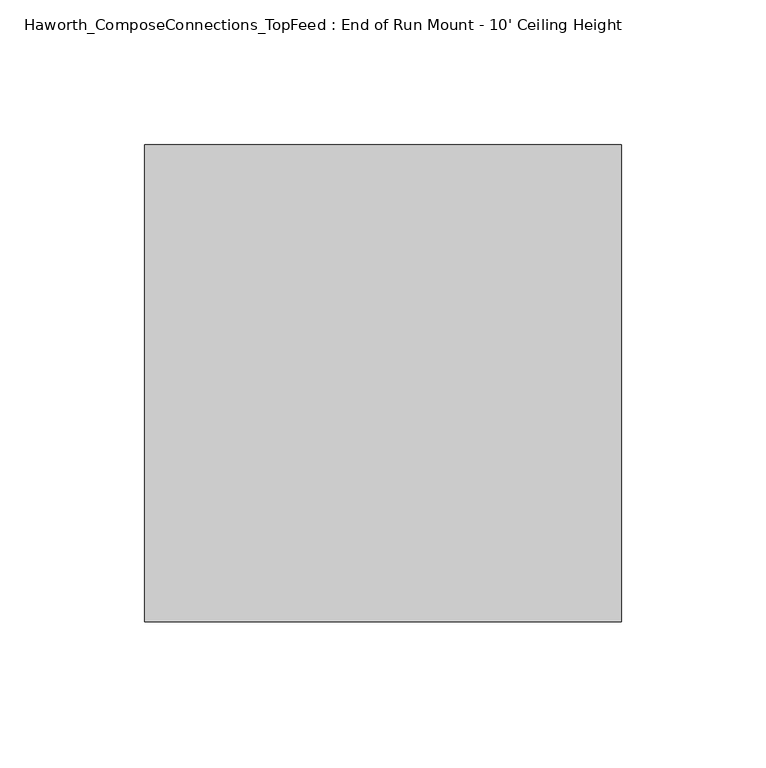
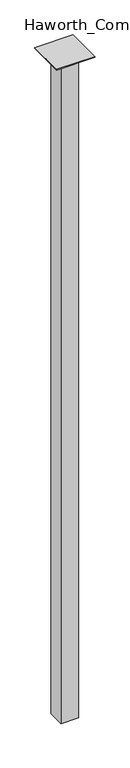
"""IFC4 building model written with IfcOpenShell, lengths in millimetres: furniture geometry, Haworth_ComposeConnections_TopFeed : End of Run Mount - 10' Ceiling Height."""

from ifc_helpers import new_model, si_unit, frame, origin, place, context, project, spatial, polyline, outline, extrude, source, transform, mapped, element, save


def haworth_composeconnections_topfeed_end_of_run_mount_10_0223b868(model_context):
    return source(origin(), model_context, "Body", "SweptSolid", [
        extrude(outline(polyline([(-44.45, 82.55), (120.65, 82.55), (120.65, -82.55), (-44.45, -82.55), (-44.45, 82.55)])), frame((0.0, 0.0, 3044.825), z_axis=(0.0, 0.0, 1.0), x_axis=(1.0, 0.0, 0.0)), (0.0, 0.0, 1.0), 3.175),
        extrude(outline(polyline([(76.2, 38.1), (76.2, -38.1), (0.0, -38.1), (0.0, 38.1), (76.2, 38.1)])), frame((0.0, 0.0, 12.7), z_axis=(0.0, 0.0, 1.0), x_axis=(1.0, 0.0, 0.0)), (0.0, 0.0, 1.0), 3022.6),
    ])


if __name__ == "__main__":
    model = new_model("IFC4")
    model_context = context("Model", 3, world=origin())
    ifc_project = project(units=[si_unit("LENGTHUNIT", "METRE", prefix="MILLI")], contexts=[model_context])
    site = spatial("IfcSite", under=ifc_project)
    building = spatial("IfcBuilding", under=site)
    placement = place(None, origin())
    haworth_composeconnections_topfeed_end_of_run_mount_10_shape = haworth_composeconnections_topfeed_end_of_run_mount_10_0223b868(model_context)
    element("IfcFurniture", 1, ObjectType="Haworth_ComposeConnections_TopFeed : End of Run Mount - 10' Ceiling Height", at=placement, inside=building, context=model_context, shape_type="MappedRepresentation", body=[
        mapped(haworth_composeconnections_topfeed_end_of_run_mount_10_shape, transform((0.0, 0.0, 0.0), x_axis=(1.0, 0.0, 0.0), y_axis=(0.0, 1.0, 0.0), z_axis=(0.0, 0.0, 1.0))),
    ])
    save(model, "model.ifc")
